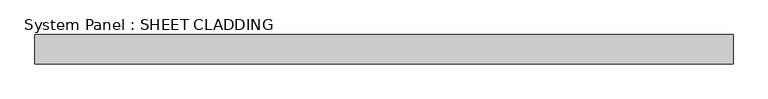
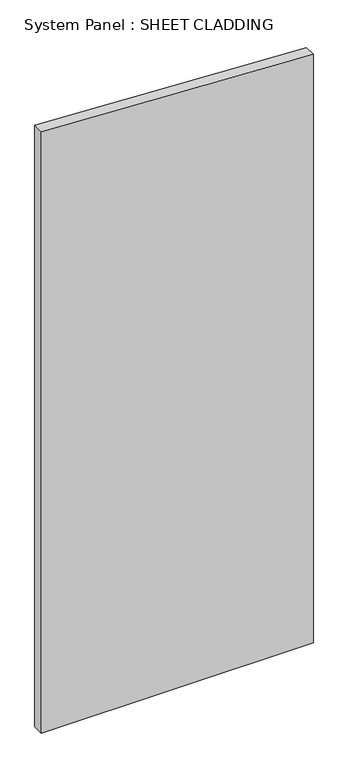
"""IFC4 building model written with IfcOpenShell, lengths in millimetres: plate geometry, System Panel : SHEET CLADDING."""

from ifc_helpers import new_model, si_unit, frame, origin, place, context, project, spatial, polyline, outline, extrude, source, transform, mapped, element, save


def system_panel_sheet_cladding_720000bf(model_context):
    return source(origin(), model_context, "Body", "SweptSolid", [
        extrude(outline(polyline([(0.0, -718.75), (0.0, 718.75), (3288.225, 718.75), (3360.1, -718.75), (0.0, -718.75)])), frame((0.0, -49.5, 0.0), z_axis=(0.0, 1.0, 0.0), x_axis=(0.0, 0.0, 1.0)), (0.0, 0.0, 1.0), 60.0),
    ])


if __name__ == "__main__":
    model = new_model("IFC4")
    model_context = context("Model", 3, world=origin())
    ifc_project = project(units=[si_unit("LENGTHUNIT", "METRE", prefix="MILLI")], contexts=[model_context])
    site = spatial("IfcSite", under=ifc_project)
    building = spatial("IfcBuilding", under=site)
    placement = place(None, origin())
    system_panel_sheet_cladding_shape = system_panel_sheet_cladding_720000bf(model_context)
    element("IfcPlate", 1, ObjectType="System Panel : SHEET CLADDING", at=placement, inside=building, context=model_context, shape_type="MappedRepresentation", body=[
        mapped(system_panel_sheet_cladding_shape, transform((0.0, 0.0, 0.0), x_axis=(1.0, 0.0, 0.0), y_axis=(0.0, 1.0, 0.0), z_axis=(0.0, 0.0, 1.0))),
    ])
    save(model, "model.ifc")
